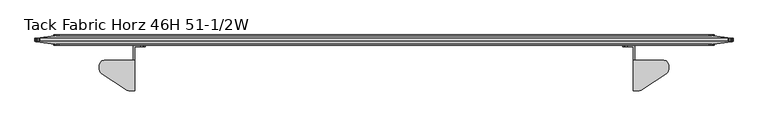
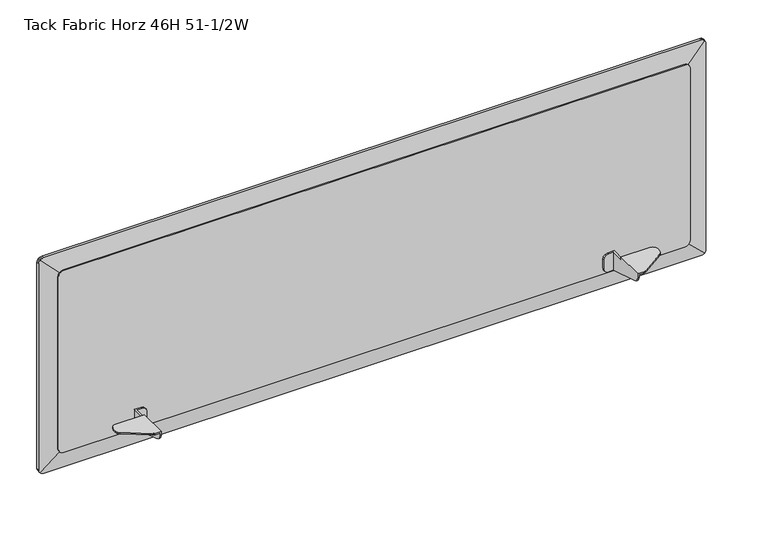
"""IFC4 building model written with IfcOpenShell, lengths in millimetres: furniture geometry, Tack Fabric Horz 46H 51-1/2W."""

from ifc_helpers import new_model, si_unit, frame, origin, place, context, project, spatial, polyline, outline, extrude, faceted_brep, source, transform, mapped, element, save


def tack_fabric_horz_46h_51_1_2w_c56208d0(model_context):
    return source(origin(), model_context, "Body", "SolidModel", [
        faceted_brep([(1122.9339971, -22.2279076, 760.4561954), (1119.886, -22.2279076, 760.4561954), (1110.1070002, -22.2279076, 760.4561954), (1110.1070002, -19.1799082, 760.4561954), (1122.9339971, -19.1799082, 760.4561954), (1119.886, -47.3739083, 802.7979423), (1119.886, -104.0159091, 802.7979423), (1130.9893012, -104.0159091, 802.7979423), (1132.833956, -103.8355785, 802.7979423), (1134.6087569, -103.3014269, 802.7979423), (1136.2465021, -102.4336701, 802.7979423), (1181.9122013, -72.2082031, 802.7979423), (1184.1947927, -70.0858512, 802.7979423), (1185.6700478, -67.340268, 802.7979423), (1186.1800004, -64.2654421, 802.7979423), (1186.1800004, -56.8989086, 802.7979423), (1184.9038973, -52.136408, 802.7979423), (1181.4175004, -48.6500162, 802.7979423), (1176.6550004, -47.3739083, 802.7979423), (1119.886, -104.0159091, 795.1665041), (1122.9339971, -104.0159091, 795.1665041), (1122.9339971, -104.0159091, 799.7499452), (1130.9893012, -104.0159091, 799.7499452), (1100.5820002, -19.1799082, 769.9811954), (1100.5820002, -22.2279076, 769.9811954), (1100.5820002, -22.2279076, 788.1929472), (1100.5820002, -19.1799082, 788.1929472), (1105.3445002, -19.1799082, 761.7322803), (1101.8581033, -19.1799082, 765.2186954), (1101.8581033, -19.1799082, 792.9554472), (1105.3445002, -19.1799082, 796.4418623), (1110.1070002, -19.1799082, 797.7179472), (1122.9339971, -19.1799082, 797.7179472), (1122.9339971, -47.3739083, 799.7499452), (1176.6550004, -47.3739083, 799.7499452), (1181.4175004, -48.6500162, 799.7499452), (1184.9038973, -52.136408, 799.7499452), (1186.1800004, -56.8989086, 799.7499452), (1186.1800004, -64.2654421, 799.7499452), (1185.6700478, -67.340268, 799.7499452), (1184.1947927, -70.0858512, 799.7499452), (1181.9122013, -72.2082031, 799.7499452), (1136.2465021, -102.4336701, 799.7499452), (1134.6087569, -103.3014269, 799.7499452), (1132.833956, -103.8355785, 799.7499452), (1122.9339971, -102.6650422, 789.4667793), (1122.9339971, -98.8998242, 784.9795532), (1122.9339971, -93.5212417, 782.6594913), (1122.9339971, -47.3739083, 797.7179472), (1119.886, -47.3739083, 797.7179472), (1119.886, -93.5212417, 782.6594913), (1119.886, -98.8998242, 784.9795532), (1119.886, -102.6650422, 789.4667793), (1110.1070002, -22.2279076, 797.7179472), (1119.886, -22.2279076, 797.7179472), (1105.3445002, -22.2279076, 796.4418623), (1101.8581033, -22.2279076, 792.9554472), (1101.8581033, -22.2279076, 765.2186954), (1105.3445002, -22.2279076, 761.7322803)], [[[0, 1, 2, 3, 4]], [[5, 6, 7, 8, 9, 10, 11, 12, 13, 14, 15, 16, 17, 18]], [[7, 6, 19, 20, 21, 22]], [[23, 24, 25, 26]], [[3, 27, 28, 23, 26, 29, 30, 31, 32, 4]], [[33, 34, 35, 36, 37, 38, 39, 40, 41, 42, 43, 44, 22, 21]], [[21, 20, 45, 46, 47, 0, 4, 32, 48, 33]], [[5, 18, 34, 33, 48, 49]], [[17, 35, 34, 18]], [[16, 36, 35, 17]], [[15, 37, 36, 16]], [[14, 38, 37, 15]], [[13, 39, 38, 14]], [[12, 40, 39, 13]], [[11, 41, 40, 12]], [[10, 42, 41, 11]], [[9, 43, 42, 10]], [[8, 44, 43, 9]], [[7, 22, 44, 8]], [[47, 50, 1, 0]], [[46, 51, 50, 47]], [[45, 52, 51, 46]], [[20, 19, 52, 45]], [[32, 31, 53, 54, 49, 48]], [[30, 55, 53, 31]], [[29, 56, 55, 30]], [[26, 25, 56, 29]], [[28, 57, 24, 23]], [[27, 58, 57, 28]], [[2, 58, 27, 3]], [[1, 50, 51, 52, 19, 6, 5, 49, 54]], [[54, 53, 55, 56, 25, 24, 57, 58, 2, 1]]]),
        faceted_brep([(185.1660029, -22.2279076, 760.4561954), (185.1660029, -19.1799082, 760.4561954), (197.9929998, -19.1799082, 760.4561954), (197.9929998, -22.2279076, 760.4561954), (188.214, -22.2279076, 760.4561954), (188.214, -47.3739083, 802.7979423), (131.4449996, -47.3739083, 802.7979423), (126.6824996, -48.6500162, 802.7979423), (123.1961027, -52.136408, 802.7979423), (121.9199996, -56.8989086, 802.7979423), (121.9199996, -64.2654421, 802.7979423), (122.4299522, -67.340268, 802.7979423), (123.9052073, -70.0858512, 802.7979423), (126.1877987, -72.2082031, 802.7979423), (171.8534979, -102.4336701, 802.7979423), (173.4912431, -103.3014269, 802.7979423), (175.266044, -103.8355785, 802.7979423), (177.1106988, -104.0159091, 802.7979423), (188.214, -104.0159091, 802.7979423), (177.1106988, -104.0159091, 799.7499452), (185.1660029, -104.0159091, 799.7499452), (185.1660029, -104.0159091, 795.1665041), (188.214, -104.0159091, 795.1665041), (207.5179998, -19.1799082, 769.9811954), (207.5179998, -19.1799082, 788.1929472), (207.5179998, -22.2279076, 788.1929472), (207.5179998, -22.2279076, 769.9811954), (185.1660029, -19.1799082, 797.7179472), (197.9929998, -19.1799082, 797.7179472), (202.7554998, -19.1799082, 796.4418623), (206.2418967, -19.1799082, 792.9554472), (206.2418967, -19.1799082, 765.2186954), (202.7554998, -19.1799082, 761.7322803), (185.1660029, -47.3739083, 799.7499452), (175.266044, -103.8355785, 799.7499452), (173.4912431, -103.3014269, 799.7499452), (171.8534979, -102.4336701, 799.7499452), (126.1877987, -72.2082031, 799.7499452), (123.9052073, -70.0858512, 799.7499452), (122.4299522, -67.340268, 799.7499452), (121.9199996, -64.2654421, 799.7499452), (121.9199996, -56.8989086, 799.7499452), (123.1961027, -52.136408, 799.7499452), (126.6824996, -48.6500162, 799.7499452), (131.4449996, -47.3739083, 799.7499452), (185.1660029, -47.3739083, 797.7179472), (185.1660029, -93.5212417, 782.6594913), (185.1660029, -98.8998242, 784.9795532), (185.1660029, -102.6650422, 789.4667793), (188.214, -47.3739083, 797.7179472), (188.214, -93.5212417, 782.6594913), (188.214, -98.8998242, 784.9795532), (188.214, -102.6650422, 789.4667793), (188.214, -22.2279076, 797.7179472), (197.9929998, -22.2279076, 797.7179472), (202.7554998, -22.2279076, 796.4418623), (206.2418967, -22.2279076, 792.9554472), (206.2418967, -22.2279076, 765.2186954), (202.7554998, -22.2279076, 761.7322803)], [[[0, 1, 2, 3, 4]], [[5, 6, 7, 8, 9, 10, 11, 12, 13, 14, 15, 16, 17, 18]], [[17, 19, 20, 21, 22, 18]], [[23, 24, 25, 26]], [[2, 1, 27, 28, 29, 30, 24, 23, 31, 32]], [[33, 20, 19, 34, 35, 36, 37, 38, 39, 40, 41, 42, 43, 44]], [[20, 33, 45, 27, 1, 0, 46, 47, 48, 21]], [[5, 49, 45, 33, 44, 6]], [[7, 6, 44, 43]], [[8, 7, 43, 42]], [[9, 8, 42, 41]], [[10, 9, 41, 40]], [[11, 10, 40, 39]], [[12, 11, 39, 38]], [[13, 12, 38, 37]], [[14, 13, 37, 36]], [[15, 14, 36, 35]], [[16, 15, 35, 34]], [[17, 16, 34, 19]], [[46, 0, 4, 50]], [[47, 46, 50, 51]], [[48, 47, 51, 52]], [[21, 48, 52, 22]], [[27, 45, 49, 53, 54, 28]], [[29, 28, 54, 55]], [[30, 29, 55, 56]], [[24, 30, 56, 25]], [[31, 23, 26, 57]], [[32, 31, 57, 58]], [[3, 2, 32, 58]], [[4, 53, 49, 5, 18, 22, 52, 51, 50]], [[53, 4, 3, 58, 57, 26, 25, 56, 55, 54]]]),
        extrude(outline(polyline([(1133.602, 1261.2178925), (1133.602, 46.8257121), (1132.9159549, 43.184392), (1131.8278673, 40.7952556), (1130.5466955, 39.2079102), (1128.6346029, 37.7230447), (1126.3089454, 36.7081476), (1123.6517493, 36.322), (767.1186553, 36.322), (764.4614592, 36.7081476), (762.1358017, 37.7230447), (760.2237091, 39.2079102), (758.9425373, 40.7952556), (757.8544497, 43.184392), (757.2248, 46.5263823), (757.2248, 1261.5172223), (757.8544497, 1264.8592125), (758.9425373, 1267.2483489), (760.2237091, 1268.8356944), (762.1358017, 1270.3205599), (764.4614592, 1271.335457), (767.5067288, 1271.778), (1123.2636758, 1271.778), (1126.3089454, 1271.335457), (1128.6346029, 1270.3205599), (1130.5466955, 1268.8356944), (1131.8278673, 1267.2483489), (1132.9159549, 1264.8592125), (1133.602, 1261.2178925)])), frame((0.0, -19.05, 0.0), z_axis=(0.0, 1.0, 0.0), x_axis=(0.0, 0.0, 1.0)), (0.0, 0.0, 1.0), 19.05),
        faceted_brep([(1268.5466046, -1.27, 760.4561954), (1268.5466046, -1.27, 1130.3706046), (1303.6341432, -6.201232, 1165.4581432), (1305.1749553, -6.417779, 1163.4740069), (1306.1898524, -6.5604135, 1161.1483494), (1306.576, -6.614683, 1158.4911533), (1306.576, -6.614683, 732.3356467), (1306.1898524, -6.5604135, 729.6784506), (1305.1749553, -6.417779, 727.3527931), (1303.6341432, -6.201232, 725.3686568), (1268.5466046, -17.78, 1130.3706046), (1268.5466046, -17.78, 760.4561954), (1303.6341432, -12.5994806, 725.3686568), (1305.1749553, -12.3719865, 727.3527931), (1306.1898524, -12.2221415, 729.6784506), (1306.576, -12.1651285, 732.3356467), (1306.576, -12.1651285, 1158.4911533), (1306.1898524, -12.2221415, 1161.1483494), (1305.1749553, -12.3719865, 1163.4740069), (1303.6341432, -12.5994806, 1165.4581432), (39.5533954, -1.27, 760.4561954), (1302.1027444, -6.3711638, 724.1595287), (1299.713608, -6.5240846, 723.0714411), (1296.2920479, -6.614683, 722.4268), (11.8079521, -6.614683, 722.4268), (8.386392, -6.5240846, 723.0714411), (5.9972556, -6.3711638, 724.1595287), (4.479154, -6.1989614, 725.3848127), (39.5533954, -17.78, 760.4561954), (4.4658568, -12.5994806, 725.3686568), (5.9972556, -12.4209582, 724.1595287), (8.386392, -12.2603069, 723.0714411), (11.8079521, -12.1651285, 722.4268), (1296.2920479, -12.1651285, 722.4268), (1299.713608, -12.2603069, 723.0714411), (1302.1027444, -12.4209582, 724.1595287), (39.5533954, -1.27, 1130.3706046), (2.9250447, -6.417779, 727.3527931), (1.9101476, -6.5604135, 729.6784506), (1.524, -6.614683, 732.3356467), (1.524, -6.614683, 1158.4911533), (1.9101476, -6.5604135, 1161.1483494), (2.9250447, -6.417779, 1163.4740069), (4.4658568, -6.201232, 1165.4581432), (39.5533954, -17.78, 1130.3706046), (4.4658568, -12.5994806, 1165.4581432), (2.9250447, -12.3719865, 1163.4740069), (1.9101476, -12.2221415, 1161.1483494), (1.524, -12.1651285, 1158.4911533), (1.524, -12.1651285, 732.3356467), (1.9101476, -12.2221415, 729.6784506), (2.9250447, -12.3719865, 727.3527931), (5.9972556, -6.3711638, 1166.6672713), (8.386392, -6.5240846, 1167.7553589), (11.8079521, -6.614683, 1168.4), (1296.2920479, -6.614683, 1168.4), (1299.713608, -6.5240846, 1167.7553589), (1302.1027444, -6.3711638, 1166.6672713), (1302.1027444, -12.4209582, 1166.6672713), (1299.713608, -12.2603069, 1167.7553589), (1296.2920479, -12.1651285, 1168.4), (11.8079521, -12.1651285, 1168.4), (8.386392, -12.2603069, 1167.7553589), (5.9972556, -12.4209582, 1166.6672713)], [[[0, 1, 2, 3, 4, 5, 6, 7, 8, 9]], [[10, 11, 12, 13, 14, 15, 16, 17, 18, 19]], [[20, 0, 9, 21, 22, 23, 24, 25, 26, 27]], [[11, 28, 29, 30, 31, 32, 33, 34, 35, 12]], [[36, 20, 27, 37, 38, 39, 40, 41, 42, 43]], [[28, 44, 45, 46, 47, 48, 49, 50, 51, 29]], [[1, 36, 43, 52, 53, 54, 55, 56, 57, 2]], [[44, 10, 19, 58, 59, 60, 61, 62, 63, 45]], [[1, 0, 11, 10]], [[0, 20, 28, 11]], [[20, 36, 44, 28]], [[36, 1, 10, 44]], [[5, 16, 15, 6]], [[23, 33, 32, 24]], [[48, 40, 39, 49]], [[54, 61, 60, 55]], [[41, 47, 46, 42]], [[45, 43, 42, 46]], [[43, 45, 63, 52]], [[52, 63, 62, 53]], [[53, 62, 61, 54]], [[47, 41, 40, 48]], [[3, 18, 17, 4]], [[2, 19, 18, 3]], [[19, 2, 57, 58]], [[58, 57, 56, 59]], [[59, 56, 55, 60]], [[4, 17, 16, 5]], [[7, 14, 13, 8]], [[12, 9, 8, 13]], [[9, 12, 35, 21]], [[21, 35, 34, 22]], [[22, 34, 33, 23]], [[14, 7, 6, 15]], [[37, 51, 50, 38]], [[27, 29, 51, 37]], [[29, 27, 26, 30]], [[30, 26, 25, 31]], [[31, 25, 24, 32]], [[38, 50, 49, 39]]]),
    ])


if __name__ == "__main__":
    model = new_model("IFC4")
    model_context = context("Model", 3, world=origin())
    ifc_project = project(units=[si_unit("LENGTHUNIT", "METRE", prefix="MILLI")], contexts=[model_context])
    site = spatial("IfcSite", under=ifc_project)
    building = spatial("IfcBuilding", under=site)
    placement = place(None, origin())
    tack_fabric_horz_46h_51_1_2w_shape = tack_fabric_horz_46h_51_1_2w_c56208d0(model_context)
    element("IfcFurniture", 1, ObjectType="Tack Fabric Horz 46H 51-1/2W", at=placement, inside=building, context=model_context, shape_type="MappedRepresentation", body=[
        mapped(tack_fabric_horz_46h_51_1_2w_shape, transform((0.0, 0.0, 0.0), x_axis=(1.0, 0.0, 0.0), y_axis=(0.0, 1.0, 0.0), z_axis=(0.0, 0.0, 1.0))),
    ])
    save(model, "model.ifc")
